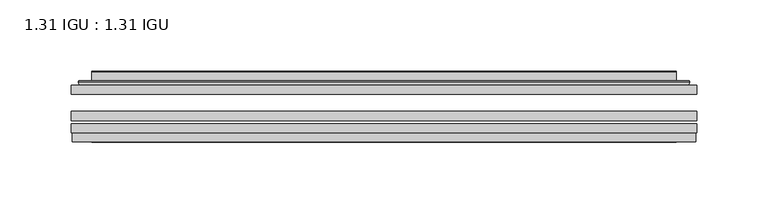
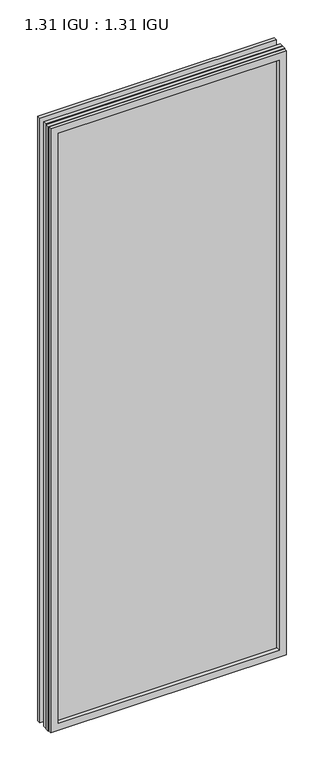
"""IFC4 building model written with IfcOpenShell, lengths in millimetres: plate geometry, 1.31 IGU : 1.31 IGU."""

from ifc_helpers import new_model, si_unit, frame, origin, place, context, project, spatial, polyline, ellipse_curve, outline, extrude, faceted_brep, source, transform, mapped, element, save
from ifc_brep_helpers import plane_surface, cylinder_surface, advanced_brep


def plate_1_31_igu_1_31_igu_583a67ef(model_context):
    return source(origin(), model_context, "Body", "SolidModel", [
        extrude(outline(polyline([(219.089175, -63.59525), (219.089175, -69.94525), (-219.075, -69.94525), (-219.075, -63.59525), (219.089175, -63.59525)])), frame((0.0, 0.0, -14.2875), z_axis=(0.0, 0.0, 1.0), x_axis=(1.0, 0.0, 0.0)), (0.0, 0.0, 1.0), 1184.2787979),
        extrude(outline(polyline([(-219.075, -78.58125), (-219.075, -72.230745), (219.089175, -72.230745), (219.089175, -78.58125), (-219.075, -78.58125)])), frame((0.0, 0.0, -14.2875), z_axis=(0.0, 0.0, 1.0), x_axis=(1.0, 0.0, 0.0)), (0.0, 0.0, 1.0), 1184.2787979),
        extrude(outline(polyline([(219.089175, -45.25645), (219.089175, -51.60645), (-219.075, -51.60645), (-219.075, -45.25645), (219.089175, -45.25645)])), frame((0.0, 0.0, -14.2875), z_axis=(0.0, 0.0, 1.0), x_axis=(1.0, 0.0, 0.0)), (0.0, 0.0, 1.0), 1184.2787979),
        faceted_brep([(-218.3748142, -84.93125, 1169.2873142), (-218.3748142, -78.58125, 1169.2873142), (-218.3748142, -78.58125, -13.5873142), (-218.3748142, -84.93125, -13.5873142), (218.3748142, -78.58125, -13.5873142), (218.3748142, -84.93125, -13.5873142), (218.3748142, -78.58125, 1169.2873142), (218.3748142, -84.93125, 1169.2873142), (-203.8897559, -78.58125, 0.8977441), (203.8897559, -78.58125, 0.8977441), (203.8897559, -78.58125, 1154.8022559), (-203.8897559, -78.58125, 1154.8022559), (-204.7821902, -84.93125, 1155.6946902), (204.7821902, -84.93125, 1155.6946902), (204.7821902, -84.93125, 0.0053098), (-204.7821902, -84.93125, 0.0053098)], [[[0, 1, 2, 3]], [[3, 2, 4, 5]], [[5, 4, 6, 7]], [[1, 6, 4, 2], [8, 9, 10, 11]], [[7, 6, 1, 0]], [[3, 5, 7, 0], [12, 13, 14, 15]], [[11, 12, 15, 8]], [[8, 15, 14, 9]], [[9, 14, 13, 10]], [[10, 13, 12, 11]]]),
        advanced_brep(
        [(-211.833719, -45.25645, 1162.746219), (-214.1879244, -43.2667833, 1165.1004244), (-214.1879244, -43.2667833, -9.4004244), (-211.833719, -45.25645, -7.046219), (-202.7593939, -41.416413, 1153.6718939), (-197.8245621, -45.25645, 1148.7370621), (-197.8245621, -45.25645, 6.9629379), (-202.7593939, -41.416413, 2.0281061), (-203.7914217, -36.0191819, 1154.7039217), (-203.7914217, -36.0191819, 0.9960783), (-204.7820784, -35.6202069, 1155.6945784), (-204.7820784, -35.6202069, 0.0054216), (-204.7820784, -42.08145, 1155.6945784), (-204.7820784, -42.08145, 0.0054216), (-213.1861349, -42.08145, 1164.0986349), (-213.1861349, -42.08145, -8.3986349), (214.1879244, -43.2667833, -9.4004244), (211.833719, -45.25645, -7.046219), (197.8245621, -45.25645, 6.9629379), (202.7593939, -41.416413, 2.0281061), (203.7914217, -36.0191819, 0.9960783), (204.7820784, -35.6202069, 0.0054216), (204.7820784, -42.08145, 0.0054216), (213.1861349, -42.08145, -8.3986349), (214.1879244, -43.2667833, 1165.1004244), (211.833719, -45.25645, 1162.746219), (197.8245621, -45.25645, 1148.7370621), (202.7593939, -41.416413, 1153.6718939), (203.7914217, -36.0191819, 1154.7039217), (204.7820784, -35.6202069, 1155.6945784), (204.7820784, -42.08145, 1155.6945784), (213.1861349, -42.08145, 1164.0986349)],
        [
            (0, 1, ellipse_curve(frame((-211.833719, -42.86885, 1162.746219), z_axis=(-0.7071067811865475, 0.0, -0.7071067811865475), x_axis=(-0.7071067811865474, 0.0, 0.7071067811865476)), 3.3765763, 2.3876)),
            (1, 2),
            (2, 3, ellipse_curve(frame((-211.833719, -42.86885, -7.046219), z_axis=(-0.7071067811865475, 0.0, 0.7071067811865475), x_axis=(0.7071067811865474, 0.0, 0.7071067811865476)), 3.3765763, 2.3876)),
            (3, 0),
            (4, 5),
            (5, 6),
            (6, 7),
            (7, 4),
            (8, 4),
            (7, 9),
            (9, 8),
            (10, 8, ellipse_curve(frame((-204.4151219, -36.1384423, 1155.3276219), z_axis=(-0.7071067811865475, 0.0, -0.7071067811865475), x_axis=(-0.7071067811865474, 0.0, 0.7071067811865476)), 0.8980256, 0.635)),
            (9, 11, ellipse_curve(frame((-204.4151219, -36.1384423, 0.3723781), z_axis=(-0.7071067811865475, 0.0, 0.7071067811865475), x_axis=(0.7071067811865474, 0.0, 0.7071067811865476)), 0.8980256, 0.635)),
            (11, 10),
            (12, 10),
            (11, 13),
            (13, 12),
            (1, 14, ellipse_curve(frame((-213.1861349, -43.09745, 1164.0986349), z_axis=(-0.7071067811865475, 0.0, -0.7071067811865475), x_axis=(-0.7071067811865474, 0.0, 0.7071067811865476)), 1.436841, 1.016)),
            (14, 15),
            (15, 2, ellipse_curve(frame((-213.1861349, -43.09745, -8.3986349), z_axis=(-0.7071067811865475, 0.0, 0.7071067811865475), x_axis=(0.7071067811865474, 0.0, 0.7071067811865476)), 1.436841, 1.016)),
            (2, 16),
            (16, 17, ellipse_curve(frame((211.833719, -42.86885, -7.046219), z_axis=(-0.7071067811865475, 0.0, -0.7071067811865475), x_axis=(-0.7071067811865476, 0.0, 0.7071067811865474)), 3.3765763, 2.3876)),
            (17, 3),
            (6, 18),
            (18, 19),
            (19, 7),
            (19, 20),
            (20, 9),
            (20, 21, ellipse_curve(frame((204.4151219, -36.1384423, 0.3723781), z_axis=(-0.7071067811865475, 0.0, -0.7071067811865475), x_axis=(-0.7071067811865476, 0.0, 0.7071067811865474)), 0.8980256, 0.635)),
            (21, 11),
            (21, 22),
            (22, 13),
            (15, 23),
            (23, 16, ellipse_curve(frame((213.1861349, -43.09745, -8.3986349), z_axis=(-0.7071067811865475, 0.0, -0.7071067811865475), x_axis=(-0.7071067811865476, 0.0, 0.7071067811865474)), 1.436841, 1.016)),
            (16, 24),
            (24, 25, ellipse_curve(frame((211.833719, -42.86885, 1162.746219), z_axis=(0.7071067811865475, 0.0, -0.7071067811865475), x_axis=(-0.7071067811865474, 0.0, -0.7071067811865476)), 3.3765763, 2.3876)),
            (25, 17),
            (18, 26),
            (26, 27),
            (27, 19),
            (27, 28),
            (28, 20),
            (28, 29, ellipse_curve(frame((204.4151219, -36.1384423, 1155.3276219), z_axis=(0.7071067811865475, 0.0, -0.7071067811865475), x_axis=(-0.7071067811865474, 0.0, -0.7071067811865476)), 0.8980256, 0.635)),
            (29, 21),
            (29, 30),
            (30, 22),
            (23, 31),
            (31, 24, ellipse_curve(frame((213.1861349, -43.09745, 1164.0986349), z_axis=(0.7071067811865475, 0.0, -0.7071067811865475), x_axis=(-0.7071067811865474, 0.0, -0.7071067811865476)), 1.436841, 1.016)),
            (24, 1),
            (0, 25),
            (5, 26),
            (4, 27),
            (8, 28),
            (10, 29),
            (12, 30),
            (14, 31),
        ],
        [
            cylinder_surface(frame((-211.833719, -42.86885, 1187.45), z_axis=(0.0, 0.0, 1.0), x_axis=(-1.0, 0.0, 0.0)), 2.3876),
            plane_surface(frame((-197.8245621, -45.25645, 1148.7370621), z_axis=(0.6141233906514794, 0.7892100234124821, 0.0), x_axis=(0.0, 0.0, -1.0))),
            plane_surface(frame((-202.7593939, -41.416413, 1153.6718939), z_axis=(0.9822050625507729, 0.18781164793386076, 0.0), x_axis=(0.0, 0.0, -1.0))),
            cylinder_surface(frame((-204.4151219, -36.1384423, 1187.45), z_axis=(0.0, 0.0, 1.0), x_axis=(-1.0, 0.0, 0.0)), 0.635),
            plane_surface(frame((-204.7820784, -35.6202069, 1155.6945784), z_axis=(-1.0, 0.0, 0.0), x_axis=(0.0, 0.0, -1.0))),
            cylinder_surface(frame((-213.1861349, -43.09745, 1187.45), z_axis=(0.0, 0.0, 1.0), x_axis=(-1.0, 0.0, 0.0)), 1.016),
            cylinder_surface(frame((-236.5375, -42.86885, -7.046219), z_axis=(-1.0, 0.0, 0.0), x_axis=(0.0, 0.0, -1.0)), 2.3876),
            plane_surface(frame((-197.8245621, -45.25645, 6.9629379), z_axis=(0.0, 0.7892100234124841, 0.6141233906514768), x_axis=(1.0, 0.0, 0.0))),
            plane_surface(frame((-202.7593939, -41.416413, 2.0281061), z_axis=(0.0, 0.18781164793386393, 0.9822050625507723), x_axis=(1.0, 0.0, 0.0))),
            cylinder_surface(frame((-236.5375, -36.1384423, 0.3723781), z_axis=(-1.0, 0.0, 0.0), x_axis=(0.0, 0.0, -1.0)), 0.635),
            plane_surface(frame((-204.7820784, -35.6202069, 0.0054216), z_axis=(0.0, 0.0, -1.0), x_axis=(1.0, 0.0, 0.0))),
            cylinder_surface(frame((-236.5375, -43.09745, -8.3986349), z_axis=(-1.0, 0.0, 0.0), x_axis=(0.0, 0.0, -1.0)), 1.016),
            cylinder_surface(frame((211.833719, -42.86885, -31.75), z_axis=(0.0, 0.0, -1.0), x_axis=(1.0, 0.0, 0.0)), 2.3876),
            plane_surface(frame((197.8245621, -45.25645, 6.9629379), z_axis=(-0.6141233906514743, 0.7892100234124861, 0.0), x_axis=(0.0, 0.0, 1.0))),
            plane_surface(frame((202.7593939, -41.416413, 2.0281061), z_axis=(-0.9822050625507718, 0.1878116479338671, 0.0), x_axis=(0.0, 0.0, 1.0))),
            cylinder_surface(frame((204.4151219, -36.1384423, -31.75), z_axis=(0.0, 0.0, -1.0), x_axis=(1.0, 0.0, 0.0)), 0.635),
            plane_surface(frame((204.7820784, -35.6202069, 0.0054216), z_axis=(1.0, 0.0, 0.0), x_axis=(0.0, 0.0, 1.0))),
            cylinder_surface(frame((213.1861349, -43.09745, -31.75), z_axis=(0.0, 0.0, -1.0), x_axis=(1.0, 0.0, 0.0)), 1.016),
            cylinder_surface(frame((236.5375, -42.86885, 1162.746219), z_axis=(1.0, 0.0, 0.0), x_axis=(0.0, 0.0, 1.0)), 2.3876),
            plane_surface(frame((211.833719, -45.25645, 1162.746219), z_axis=(0.0, -1.0, 0.0), x_axis=(-1.0, 0.0, 0.0))),
            plane_surface(frame((197.8245621, -45.25645, 1148.7370621), z_axis=(0.0, 0.7892100234124841, -0.6141233906514768), x_axis=(-1.0, 0.0, 0.0))),
            plane_surface(frame((202.7593939, -41.416413, 1153.6718939), z_axis=(0.0, 0.18781164793386393, -0.9822050625507723), x_axis=(-1.0, 0.0, 0.0))),
            cylinder_surface(frame((236.5375, -36.1384423, 1155.3276219), z_axis=(1.0, 0.0, 0.0), x_axis=(0.0, 0.0, 1.0)), 0.635),
            plane_surface(frame((204.7820784, -35.6202069, 1155.6945784), z_axis=(0.0, 0.0, 1.0), x_axis=(-1.0, 0.0, 0.0))),
            plane_surface(frame((204.7820784, -42.08145, 1155.6945784), z_axis=(0.0, 1.0, 0.0), x_axis=(-1.0, 0.0, 0.0))),
            cylinder_surface(frame((236.5375, -43.09745, 1164.0986349), z_axis=(1.0, 0.0, 0.0), x_axis=(0.0, 0.0, 1.0)), 1.016),
        ],
        [
            (0, [[1, 2, 3, 4]]),
            (1, [[5, 6, 7, 8]]),
            (2, [[9, -8, 10, 11]]),
            (3, [[12, -11, 13, 14]]),
            (4, [[15, -14, 16, 17]]),
            (5, [[18, 19, 20, -2]]),
            (6, [[-3, 21, 22, 23]]),
            (7, [[-7, 24, 25, 26]]),
            (8, [[-10, -26, 27, 28]]),
            (9, [[-13, -28, 29, 30]]),
            (10, [[-16, -30, 31, 32]]),
            (11, [[-20, 33, 34, -21]]),
            (12, [[-22, 35, 36, 37]]),
            (13, [[-25, 38, 39, 40]]),
            (14, [[-27, -40, 41, 42]]),
            (15, [[-29, -42, 43, 44]]),
            (16, [[-31, -44, 45, 46]]),
            (17, [[-34, 47, 48, -35]]),
            (18, [[-36, 49, -1, 50]]),
            (19, [[-23, -37, -50, -4], [51, -38, -24, -6]]),
            (20, [[-39, -51, -5, 52]]),
            (21, [[-41, -52, -9, 53]]),
            (22, [[-43, -53, -12, 54]]),
            (23, [[-45, -54, -15, 55]]),
            (24, [[56, -47, -33, -19], [-32, -46, -55, -17]]),
            (25, [[-48, -56, -18, -49]]),
        ],
    ),
    ])


if __name__ == "__main__":
    model = new_model("IFC4")
    model_context = context("Model", 3, world=origin())
    ifc_project = project(units=[si_unit("LENGTHUNIT", "METRE", prefix="MILLI")], contexts=[model_context])
    site = spatial("IfcSite", under=ifc_project)
    building = spatial("IfcBuilding", under=site)
    placement = place(None, origin())
    plate_1_31_igu_1_31_igu_shape = plate_1_31_igu_1_31_igu_583a67ef(model_context)
    element("IfcPlate", 1, ObjectType="1.31 IGU : 1.31 IGU", at=placement, inside=building, context=model_context, shape_type="MappedRepresentation", body=[
        mapped(plate_1_31_igu_1_31_igu_shape, transform((0.0, 0.0, 0.0), x_axis=(1.0, 0.0, 0.0), y_axis=(0.0, 1.0, 0.0), z_axis=(0.0, 0.0, 1.0))),
    ])
    save(model, "model.ifc")
